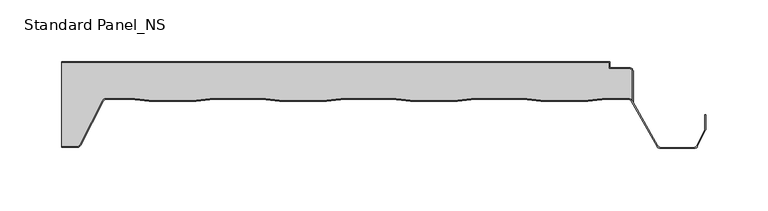
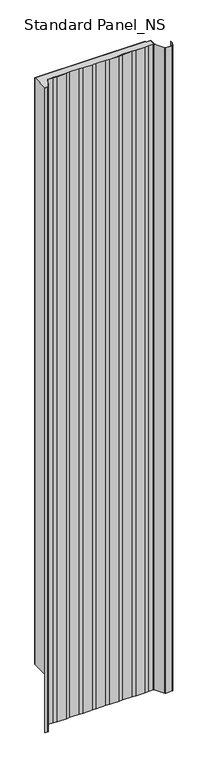
"""IFC4 building model written with IfcOpenShell, lengths in millimetres: proxy geometry, Standard Panel_NS."""

from ifc_helpers import new_model, si_unit, point, frame, frame_2d, origin, origin_with_axes, place, context, project, spatial, polyline, circle_curve, trimmed, segment, composite_curve, outline, extrude, source, transform, mapped, element, save


def standard_panel_ns_db47d205(model_context):
    return source(origin(), model_context, "Body", "SweptSolid", [
        extrude(outline(composite_curve([segment(polyline([(213.3333676, -7.9776976), (213.3333676, -31.2827781)]), True, "CONTINUOUS"), segment(trimmed(circle_curve(frame_2d((210.179188, -33.4020117)), 3.8), [point((213.3333676, -31.2827781))], [point((210.2255766, -29.6022949))], True, "CARTESIAN"), True, "CONTINUOUS"), segment(polyline([(210.2255766, -29.6022949), (192.3850005, -29.6022949), (177.5232715, -31.4), (139.5003904, -31.4), (124.6528382, -29.6040097), (86.3708237, -29.6040097), (71.5232715, -31.4), (33.5003904, -31.4), (18.667015, -29.6057246), (-19.6433531, -29.6057246), (-34.4767285, -31.4), (-72.4996096, -31.4), (-87.3188082, -29.6074394), (-125.6575299, -29.6074394), (-140.4767285, -31.4), (-178.4996096, -31.4), (-193.3070694, -29.6088594), (-213.150958, -29.6088594)]), True, "CONTINUOUS"), segment(trimmed(circle_curve(frame_2d((-213.150958, -33.4088594)), 3.8), [point((-213.150958, -29.6088594))], [point((-216.5484349, -31.7067576))], True, "CARTESIAN"), True, "CONTINUOUS"), segment(polyline([(-216.5484349, -31.7067576), (-234.886672, -67.389061)]), True, "CONTINUOUS"), segment(trimmed(circle_curve(frame_2d((-236.856809, -66.41)), 2.2), [point((-234.886672, -67.389061))], [point((-236.856809, -68.61))], False, "CARTESIAN"), True, "CONTINUOUS"), segment(polyline([(-236.856809, -68.61), (-249.4999998, -68.61), (-249.4999998, -0.8776976), (194.4044995, -0.8776976), (194.4044995, -5.8776976), (211.2333676, -5.8776976)]), True, "CONTINUOUS"), segment(trimmed(circle_curve(frame_2d((211.2333676, -7.9776976)), 2.1), [point((211.2333676, -5.8776976))], [point((213.3333676, -7.9776976))], False, "CARTESIAN"), True, "CONTINUOUS")], self_intersect=False)), origin_with_axes(), (0.0, 0.0, 1.0), 2500.0),
        extrude(outline(composite_curve([segment(polyline([(-236.856809, -69.41), (-249.4999998, -69.41), (-249.4999998, -68.61), (-236.856809, -68.61)]), True, "CONTINUOUS"), segment(trimmed(circle_curve(frame_2d((-236.856809, -66.41)), 2.2), [point((-236.856809, -68.61))], [point((-234.886672, -67.389061))], True, "CARTESIAN"), True, "CONTINUOUS"), segment(polyline([(-234.886672, -67.389061), (-216.5484349, -31.7067576)]), True, "CONTINUOUS"), segment(trimmed(circle_curve(frame_2d((-213.150958, -33.4088594)), 3.8), [point((-216.5484349, -31.7067576))], [point((-213.150958, -29.6088594))], False, "CARTESIAN"), True, "CONTINUOUS"), segment(polyline([(-213.150958, -29.6088594), (-193.3070694, -29.6088594), (-178.4996096, -31.4), (-140.4767285, -31.4), (-125.6575299, -29.6074394), (-87.3188082, -29.6074394), (-72.4996096, -31.4), (-34.4767285, -31.4), (-19.6433531, -29.6057246), (18.667015, -29.6057246), (33.5003904, -31.4), (71.5232715, -31.4), (86.3708237, -29.6040097), (124.6528382, -29.6040097), (139.5003904, -31.4), (177.5232715, -31.4), (192.3850005, -29.6022949), (210.1327994, -29.6022949)]), True, "CONTINUOUS"), segment(trimmed(circle_curve(frame_2d((210.179188, -33.4020117)), 3.8), [point((210.1327994, -29.6022949))], [point((213.5049667, -31.5637527))], False, "CARTESIAN"), True, "CONTINUOUS"), segment(polyline([(213.5049667, -31.5637527), (234.4077106, -68.4591287)]), True, "CONTINUOUS"), segment(trimmed(circle_curve(frame_2d((236.3366683, -67.401243)), 2.2), [point((234.4077106, -68.4591287))], [point((236.3366683, -69.601243))], True, "CARTESIAN"), True, "CONTINUOUS"), segment(polyline([(236.3366683, -69.601243), (263.6856737, -69.601243)]), True, "CONTINUOUS"), segment(trimmed(circle_curve(frame_2d((263.6856737, -67.401243)), 2.2), [point((263.6856737, -69.601243))], [point((265.6539047, -68.3841299))], True, "CARTESIAN"), True, "CONTINUOUS"), segment(polyline([(265.6539047, -68.3841299), (272.1830896, -55.3094373)]), True, "CONTINUOUS"), segment(trimmed(circle_curve(frame_2d((270.2148586, -54.3265504)), 2.2), [point((272.1830896, -55.3094373))], [point((272.4148586, -54.3265504))], True, "CARTESIAN"), True, "CONTINUOUS"), segment(polyline([(272.4148586, -54.3265504), (272.4148586, -42.8571101), (273.2148586, -42.8571101), (273.2148586, -54.3265504)]), True, "CONTINUOUS"), segment(trimmed(circle_curve(frame_2d((270.2148586, -54.3265504)), 3.0), [point((273.2148586, -54.3265504))], [point((272.89881, -55.6668507))], False, "CARTESIAN"), True, "CONTINUOUS"), segment(polyline([(272.89881, -55.6668507), (266.3696251, -68.7415434)]), True, "CONTINUOUS"), segment(trimmed(circle_curve(frame_2d((263.6856737, -67.401243)), 3.0), [point((266.3696251, -68.7415434))], [point((263.6856737, -70.401243))], False, "CARTESIAN"), True, "CONTINUOUS"), segment(polyline([(263.6856737, -70.401243), (236.3366683, -70.401243)]), True, "CONTINUOUS"), segment(trimmed(circle_curve(frame_2d((236.3366683, -67.401243)), 3.0), [point((236.3366683, -70.401243))], [point((233.7091409, -68.8490344))], False, "CARTESIAN"), True, "CONTINUOUS"), segment(polyline([(233.7091409, -68.8490344), (212.8067154, -31.9542204)]), True, "CONTINUOUS"), segment(trimmed(circle_curve(frame_2d((210.179188, -33.4020117)), 3.0), [point((212.8067154, -31.9542204))], [point((210.1379709, -30.4022949))], True, "CARTESIAN"), True, "CONTINUOUS"), segment(polyline([(210.1379709, -30.4022949), (192.4332096, -30.4022949), (177.5714806, -32.2), (139.4521813, -32.2), (124.6046291, -30.4040097), (86.4190328, -30.4040097), (71.5714806, -32.2), (33.4521813, -32.2), (18.6188059, -30.4057246), (-19.595144, -30.4057246), (-34.4285194, -32.2), (-72.5478187, -32.2), (-87.3670173, -30.4074394), (-125.6093208, -30.4074394), (-140.4285194, -32.2), (-178.5478187, -32.2), (-193.3552785, -30.4088594), (-213.150958, -30.4088594)]), True, "CONTINUOUS"), segment(trimmed(circle_curve(frame_2d((-213.150958, -33.4088594)), 3.0), [point((-213.150958, -30.4088594))], [point((-215.8349094, -32.0685591))], True, "CARTESIAN"), True, "CONTINUOUS"), segment(polyline([(-215.8349094, -32.0685591), (-234.1728576, -67.7503003)]), True, "CONTINUOUS"), segment(trimmed(circle_curve(frame_2d((-236.856809, -66.41)), 3.0), [point((-234.1728576, -67.7503003))], [point((-236.856809, -69.41))], False, "CARTESIAN"), True, "CONTINUOUS")], self_intersect=False)), frame((0.0, 0.0, -250.0), z_axis=(0.0, 0.0, 1.0), x_axis=(1.0, 0.0, 0.0)), (0.0, 0.0, 1.0), 2750.0),
        extrude(outline(composite_curve([segment(polyline([(194.4044995, -0.9), (-249.4999998, -0.9), (-249.4999998, 0.0), (195.3044995, 0.0), (195.3044995, -5.0), (211.2333676, -5.0)]), True, "CONTINUOUS"), segment(trimmed(circle_curve(frame_2d((211.2333676, -8.0)), 3.0), [point((211.2333676, -5.0))], [point((214.2333676, -8.0))], False, "CARTESIAN"), True, "CONTINUOUS"), segment(polyline([(214.2333676, -8.0), (214.2333676, -32.8494512), (213.3333676, -31.2827781), (213.3333676, -8.0)]), True, "CONTINUOUS"), segment(trimmed(circle_curve(frame_2d((211.2333676, -8.0)), 2.1), [point((213.3333676, -8.0))], [point((211.2333676, -5.9))], True, "CARTESIAN"), True, "CONTINUOUS"), segment(polyline([(211.2333676, -5.9), (194.4044995, -5.9), (194.4044995, -0.9)]), True, "CONTINUOUS")], self_intersect=False)), origin_with_axes(), (0.0, 0.0, 1.0), 2500.0),
    ])


if __name__ == "__main__":
    model = new_model("IFC4")
    model_context = context("Model", 3, world=origin())
    ifc_project = project(units=[si_unit("LENGTHUNIT", "METRE", prefix="MILLI")], contexts=[model_context])
    site = spatial("IfcSite", under=ifc_project)
    building = spatial("IfcBuilding", under=site)
    placement = place(None, origin())
    standard_panel_ns_shape = standard_panel_ns_db47d205(model_context)
    element("IfcBuildingElementProxy", 1, Name="Standard Panel_NS", ObjectType="Standard Panel_NS", at=placement, inside=building, context=model_context, shape_type="MappedRepresentation", body=[
        mapped(standard_panel_ns_shape, transform((0.0, 0.0, 0.0), x_axis=(1.0, 0.0, 0.0), y_axis=(0.0, 1.0, 0.0), z_axis=(0.0, 0.0, 1.0))),
    ])
    save(model, "model.ifc")
